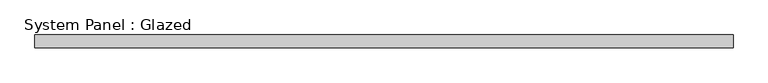
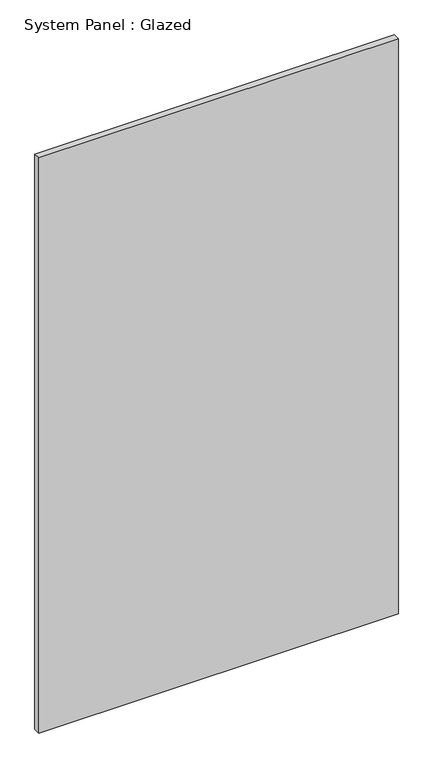
"""IFC4 building model written with IfcOpenShell, lengths in millimetres: plate geometry, System Panel : Glazed."""

import ifcopenshell
import ifcopenshell.guid

model = None  # the IFC model being written
_history = None  # IfcOwnerHistory: only IFC2X3 demands one
_inside = {}  # id of a spatial element -> (the spatial element, [elements in it])
_under = {}  # id of a project, library or spatial element -> (it, [spatial elements below it])
_declared = {}  # id of a project -> (the project, [libraries it declares])
_typed = {}  # id of a type object -> (the type object, [elements of that type])
_made_of = {}  # id of a material, layer set ... -> (it, [elements and type objects made of it])


def new_model(schema):
    """Start an empty IFC model of exactly this schema.

    Asked for "IFC4X3", IfcOpenShell would pick the latest addendum, in which some entities
    have other attributes; the version numbers below select the first issue.
    IFC2X3 requires an IfcOwnerHistory on every rooted entity: one is made here for all.
    """
    global model, _history
    if schema == "IFC4X3":
        model = ifcopenshell.file(schema_version=(4, 3, 0, 0))
    else:
        model = ifcopenshell.file(schema=schema)
    _inside.clear()
    _under.clear()
    _declared.clear()
    _typed.clear()
    _made_of.clear()
    _history = None
    if model.schema == "IFC2X3":
        org = make("IfcOrganization", Name="unknown")
        user = make(
            "IfcPersonAndOrganization",
            ThePerson=make("IfcPerson", FamilyName="unknown"),
            TheOrganization=org,
        )
        app = make(
            "IfcApplication",
            ApplicationDeveloper=org,
            Version="unknown",
            ApplicationFullName="unknown",
            ApplicationIdentifier="unknown",
        )
        _history = make(
            "IfcOwnerHistory",
            OwningUser=user,
            OwningApplication=app,
            ChangeAction="ADDED",
            CreationDate=0,
        )
    return model


def make(cls, **values):
    """One entity of the class cls with the attributes given. An attribute that is None is left unset."""
    return model.create_entity(
        cls, **{name: value for name, value in values.items() if value is not None}
    )


def rooted(cls, **values):
    """An entity with a GlobalId (a new one), such as an element, a storey or a relation."""
    return make(cls, GlobalId=ifcopenshell.guid.new(), OwnerHistory=_history, **values)


def si_unit(unit_type, name, prefix=None):
    """IfcSIUnit, for example si_unit("LENGTHUNIT", "METRE", prefix="MILLI")."""
    return make("IfcSIUnit", UnitType=unit_type, Prefix=prefix, Name=name)


def assignment(units):
    """IfcUnitAssignment: the units of a project."""
    return None if units is None else make("IfcUnitAssignment", Units=units)


def point(xyz):
    """IfcCartesianPoint."""
    return None if xyz is None else make("IfcCartesianPoint", Coordinates=xyz)


def direction(xyz):
    """IfcDirection."""
    return None if xyz is None else make("IfcDirection", DirectionRatios=xyz)


def frame(location, z_axis=None, x_axis=None):
    """IfcAxis2Placement3D, a coordinate frame: its origin and axes. An axis left out is left unset."""
    return make(
        "IfcAxis2Placement3D",
        Location=point(location),
        Axis=direction(z_axis),
        RefDirection=direction(x_axis),
    )


def origin():
    """The frame at (0, 0, 0) with its axes left unset."""
    return frame((0.0, 0.0, 0.0))


def origin_with_axes():
    """The frame at (0, 0, 0) with the z axis (0, 0, 1) and the x axis (1, 0, 0) written out."""
    return frame((0.0, 0.0, 0.0), z_axis=(0.0, 0.0, 1.0), x_axis=(1.0, 0.0, 0.0))


def place(relative_to, where):
    """IfcLocalPlacement: puts the frame where relative to a parent placement (None: the world)."""
    return make(
        "IfcLocalPlacement", PlacementRelTo=relative_to, RelativePlacement=where
    )


def context(
    kind, dimensions, precision=None, world=None, true_north=None, identifier=None
):
    """IfcGeometricRepresentationContext, for example the 3D "Model" context."""
    return make(
        "IfcGeometricRepresentationContext",
        ContextIdentifier=identifier,
        ContextType=kind,
        CoordinateSpaceDimension=dimensions,
        Precision=precision,
        WorldCoordinateSystem=world,
        TrueNorth=true_north,
    )


def project(units=None, contexts=None):
    """IfcProject with its units and contexts."""
    return rooted(
        "IfcProject",
        Name="project",
        RepresentationContexts=contexts,
        UnitsInContext=assignment(units),
    )


def spatial(cls, under=None, at=None, **own):
    """A site, building, storey or space (cls), placed at a placement, below another one or the project."""
    s = rooted(cls, ObjectPlacement=at, **own)
    if under is not None:
        _under.setdefault(under.id(), (under, []))[1].append(s)
    return s


def polyline(points):
    """IfcPolyline through the points."""
    return make("IfcPolyline", Points=[point(p) for p in points])


def outline(outer, holes=None, kind="AREA"):
    """IfcArbitraryClosedProfileDef: a profile drawn as a closed curve; with holes, ...WithVoids."""
    if holes is None:
        return make("IfcArbitraryClosedProfileDef", ProfileType=kind, OuterCurve=outer)
    return make(
        "IfcArbitraryProfileDefWithVoids",
        ProfileType=kind,
        OuterCurve=outer,
        InnerCurves=holes,
    )


def extrude(swept, where, along, depth):
    """IfcExtrudedAreaSolid: the profile swept, set in the frame where, extruded along a direction by depth."""
    return make(
        "IfcExtrudedAreaSolid",
        SweptArea=swept,
        Position=where,
        ExtrudedDirection=direction(along),
        Depth=depth,
    )


def shape(context_of_items, identifier, shape_type, items):
    """IfcShapeRepresentation: the items that make up one representation, for example the "Body"."""
    return make(
        "IfcShapeRepresentation",
        ContextOfItems=context_of_items,
        RepresentationIdentifier=identifier,
        RepresentationType=shape_type,
        Items=items,
    )


def source(mapping_origin, context_of_items, identifier, shape_type, items):
    """IfcRepresentationMap: a shape defined once, which mapped items show again and again."""
    return make(
        "IfcRepresentationMap",
        MappingOrigin=mapping_origin,
        MappedRepresentation=shape(context_of_items, identifier, shape_type, items),
    )


def transform(
    local_origin,
    x_axis=None,
    y_axis=None,
    z_axis=None,
    scale=None,
    scale2=None,
    scale3=None,
    uniform=True,
):
    """IfcCartesianTransformationOperator3D, or its non-uniform kind. x_axis, y_axis, z_axis: its Axis1, 2, 3."""
    if uniform:
        return make(
            "IfcCartesianTransformationOperator3D",
            Axis1=direction(x_axis),
            Axis2=direction(y_axis),
            LocalOrigin=point(local_origin),
            Scale=scale,
            Axis3=direction(z_axis),
        )
    return make(
        "IfcCartesianTransformationOperator3DnonUniform",
        Axis1=direction(x_axis),
        Axis2=direction(y_axis),
        LocalOrigin=point(local_origin),
        Scale=scale,
        Axis3=direction(z_axis),
        Scale2=scale2,
        Scale3=scale3,
    )


def mapped(mapping_source, mapping_target):
    """IfcMappedItem: shows the shape of a source again, moved by a transform."""
    return make(
        "IfcMappedItem", MappingSource=mapping_source, MappingTarget=mapping_target
    )


def made_of(thing, what):
    """Note that an element or type object is made of a material, layer set ...; save() writes the relation."""
    if what is not None:
        _made_of.setdefault(what.id(), (what, []))[1].append(thing)
    return thing


def element(
    cls,
    number,
    at=None,
    inside=None,
    cuts=None,
    type_object=None,
    material=None,
    context=None,
    identifier="Body",
    shape_type=None,
    held_by="IfcProductDefinitionShape",
    body=None,
    shapes=None,
    **own,
):
    """One element of the class cls, such as IfcWall. Its Tag is "e" and its number.

    at: its placement. inside: the storey or other place that contains it. cuts: it is an
    opening in that element (IfcRelVoidsElement). A single representation is given by context,
    identifier, shape_type and body (its items); several are given by shapes. held_by: the class
    of the entity that holds the representations. save() writes the other relations.
    """
    e = rooted(cls, Tag="e%d" % number, ObjectPlacement=at, **own)
    if body is not None:
        shapes = [shape(context, identifier, shape_type, body)]
    if shapes is not None:
        e.Representation = make(held_by, Representations=shapes)
    if inside is not None:
        _inside.setdefault(inside.id(), (inside, []))[1].append(e)
    if cuts is not None:
        rooted(
            "IfcRelVoidsElement", RelatingBuildingElement=cuts, RelatedOpeningElement=e
        )
    if type_object is not None:
        _typed.setdefault(type_object.id(), (type_object, []))[1].append(e)
    return made_of(e, material)


def aggregate(whole, parts):
    """IfcRelAggregates: a whole, such as a stair, and the parts it consists of."""
    return rooted("IfcRelAggregates", RelatingObject=whole, RelatedObjects=parts)


def save(model, path):
    """Write the relations noted so far, then the file.

    IfcRelAggregates (storeys below a building ...), IfcRelContainedInSpatialStructure (elements
    in a storey), IfcRelDefinesByType, IfcRelAssociatesMaterial and IfcRelDeclares: one each for
    every whole, place, type object, material and project.
    """
    for whole, parts in _under.values():
        aggregate(whole, parts)
    for where, things in _inside.values():
        rooted(
            "IfcRelContainedInSpatialStructure",
            RelatedElements=things,
            RelatingStructure=where,
        )
    for kind, things in _typed.values():
        rooted("IfcRelDefinesByType", RelatedObjects=things, RelatingType=kind)
    for what, things in _made_of.values():
        rooted("IfcRelAssociatesMaterial", RelatedObjects=things, RelatingMaterial=what)
    for by, libraries in _declared.values():
        rooted("IfcRelDeclares", RelatingContext=by, RelatedDefinitions=libraries)
    model.write(path)


def system_panel_glazed_d108e47e(model_context):
    return source(origin(), model_context, "Body", "SweptSolid", [
        extrude(outline(polyline([(693.25, 19.05), (-693.25, 19.05), (-693.25, 44.45), (693.25, 44.45), (693.25, 19.05)])), origin_with_axes(), (0.0, 0.0, 1.0), 2343.15),
    ])


if __name__ == "__main__":
    model = new_model("IFC4")
    model_context = context("Model", 3, world=origin())
    ifc_project = project(units=[si_unit("LENGTHUNIT", "METRE", prefix="MILLI")], contexts=[model_context])
    site = spatial("IfcSite", under=ifc_project)
    building = spatial("IfcBuilding", under=site)
    placement = place(None, origin())
    system_panel_glazed_shape = system_panel_glazed_d108e47e(model_context)
    element("IfcPlate", 1, ObjectType="System Panel : Glazed", at=placement, inside=building, context=model_context, shape_type="MappedRepresentation", body=[
        mapped(system_panel_glazed_shape, transform((0.0, 0.0, 0.0), x_axis=(1.0, 0.0, 0.0), y_axis=(0.0, 1.0, 0.0), z_axis=(0.0, 0.0, 1.0))),
    ])
    save(model, "model.ifc")
